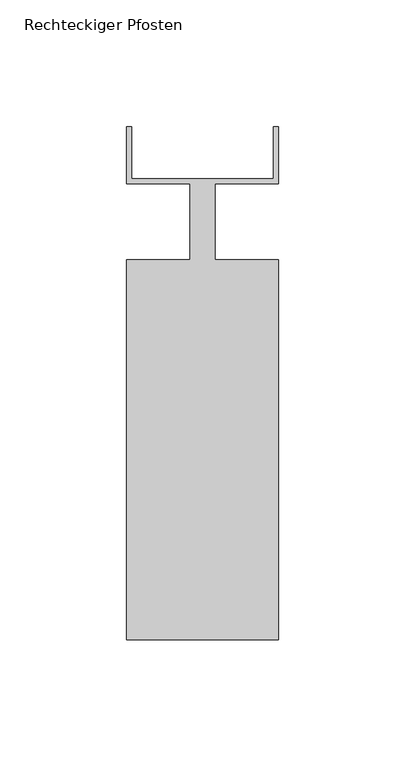
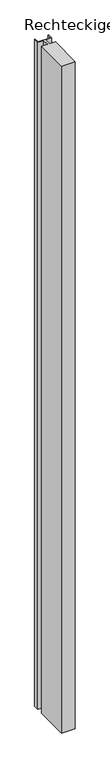
"""IFC4 building model written with IfcOpenShell, lengths in millimetres: member geometry, Rechteckiger Pfosten."""

from ifc_helpers import new_model, si_unit, frame, origin, place, context, project, spatial, polyline, outline, extrude, source, transform, mapped, element, save


def rechteckiger_pfosten_52cd991d(model_context):
    return source(origin(), model_context, "Body", "SweptSolid", [
        extrude(outline(polyline([(-2.0, 37.5), (0.0, 37.5), (0.0, 15.0), (-25.0, 15.0), (-25.0, -15.0), (0.0, -15.0), (0.0, -165.0), (-60.0, -165.0), (-60.0, -15.0), (-35.0, -15.0), (-35.0, 15.0), (-60.0, 15.0), (-60.0, 37.5), (-58.0, 37.5), (-58.0, 17.0), (-2.0, 17.0), (-2.0, 37.5)])), frame((0.0, 0.0, -3080.0), z_axis=(0.0, 0.0, 1.0), x_axis=(1.0, 0.0, 0.0)), (0.0, 0.0, 1.0), 3080.0),
    ])


if __name__ == "__main__":
    model = new_model("IFC4")
    model_context = context("Model", 3, world=origin())
    ifc_project = project(units=[si_unit("LENGTHUNIT", "METRE", prefix="MILLI")], contexts=[model_context])
    site = spatial("IfcSite", under=ifc_project)
    building = spatial("IfcBuilding", under=site)
    placement = place(None, origin())
    rechteckiger_pfosten_shape = rechteckiger_pfosten_52cd991d(model_context)
    element("IfcMember", 1, ObjectType="Rechteckiger Pfosten", at=placement, inside=building, context=model_context, shape_type="MappedRepresentation", body=[
        mapped(rechteckiger_pfosten_shape, transform((0.0, 0.0, 0.0), x_axis=(1.0, 0.0, 0.0), y_axis=(0.0, 1.0, 0.0), z_axis=(0.0, 0.0, 1.0))),
    ])
    save(model, "model.ifc")
